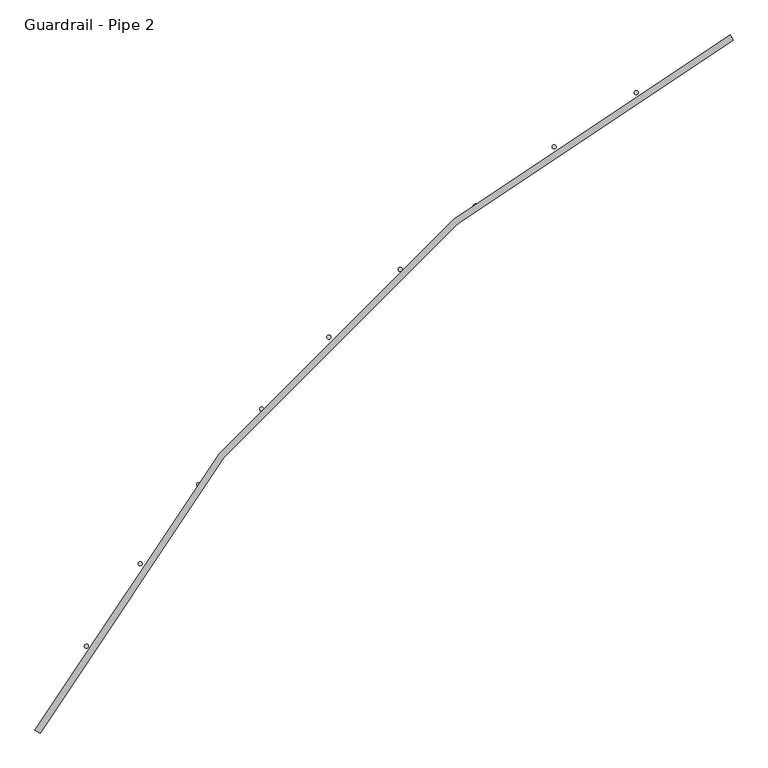
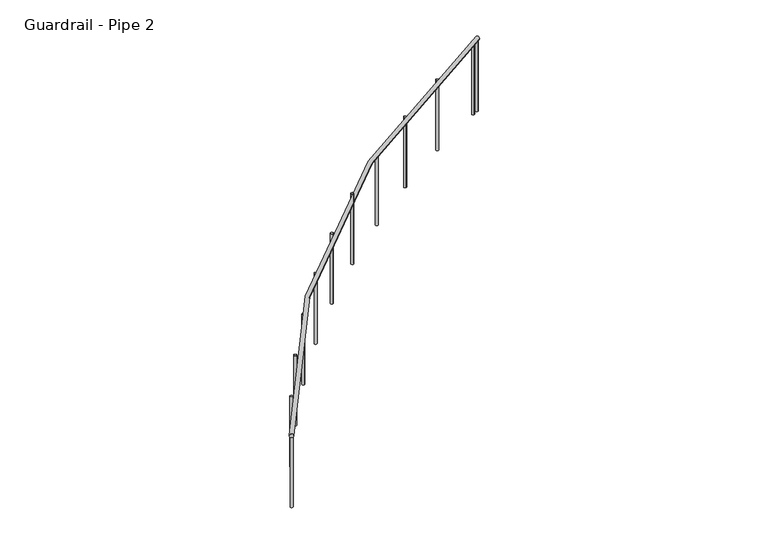
"""IFC4 building model written with IfcOpenShell, lengths in millimetres: railing geometry, Guardrail - Pipe 2."""

from ifc_helpers import new_model, si_unit, point, frame, frame_2d, origin, place, context, project, spatial, circle_curve, ellipse_curve, trimmed, segment, composite_curve, outline, extrude, source, transform, mapped, element, save
from ifc_brep_helpers import plane_surface, revolved_surface, advanced_brep


def guardrail_pipe_2_3ec0c5b1(model_context):
    return source(origin(), model_context, "Body", "SolidModel", [
        advanced_brep(
        [(590060.93135, -250775.3815518, 5619.75), (585770.198997, -255066.1139047, 5619.75), (585736.58135, -255048.1844929, 5619.75), (590043.0019382, -250741.7639047, 5619.75)],
        [
            (0, 1, circle_curve(frame((594964.6254676, -259969.8080223, 5619.75), z_axis=(0.0, 0.0, 1.0), x_axis=(-0.8823529411766796, 0.4705882352937256, 0.0)), 10420.35)),
            (1, 2, circle_curve(frame((585753.3901735, -255057.1491988, 5619.75), z_axis=(0.4705882352937256, 0.8823529411766796, 0.0), x_axis=(0.8823529411766796, -0.4705882352937256, 0.0)), 19.05)),
            (2, 3, circle_curve(frame((594964.6254676, -259969.8080223, 5619.75), z_axis=(0.0, 0.0, -1.0), x_axis=(-0.8823529411766796, 0.4705882352937256, 0.0)), 10458.45)),
            (3, 0, circle_curve(frame((590051.9666441, -250758.5727282, 5619.75), z_axis=(-0.8823529411766858, -0.4705882352937141, 0.0), x_axis=(0.4705882352937141, -0.8823529411766858, 0.0)), 19.05)),
            (2, 1, circle_curve(frame((585753.3901735, -255057.1491988, 5619.75), z_axis=(0.47058823529372856, 0.8823529411766781, 0.0), x_axis=(0.8823529411766781, -0.47058823529372856, 0.0)), 19.05)),
            (0, 3, circle_curve(frame((590051.9666441, -250758.5727282, 5619.75), z_axis=(-0.8823529411766862, -0.4705882352937133, 0.0), x_axis=(0.4705882352937133, -0.8823529411766862, 0.0)), 19.05)),
        ],
        [
            revolved_surface(trimmed(ellipse_curve(frame((585753.3901735, -255057.1491988, 5619.75), z_axis=(-0.4705882352937256, -0.8823529411766796, 0.0), x_axis=(0.8823529411766796, -0.4705882352937256, 0.0)), 19.05, 19.05), [point((585736.58135, -255048.1844929, 5619.75))], [point((585770.198997, -255066.1139047, 5619.75))], True, "CARTESIAN"), (594964.6254676, -259969.8080223, 5638.8), (0.0, 0.0, -1.0)),
            revolved_surface(trimmed(ellipse_curve(frame((585753.3901735, -255057.1491988, 5619.75), z_axis=(-0.4705882352937256, -0.8823529411766796, 0.0), x_axis=(0.8823529411766796, -0.4705882352937256, 0.0)), 19.05, 19.05), [point((585770.198997, -255066.1139047, 5619.75))], [point((585736.58135, -255048.1844929, 5619.75))], True, "CARTESIAN"), (594964.6254676, -259969.8080223, 5638.8), (0.0, 0.0, -1.0)),
            plane_surface(frame((585753.3901735, -255057.1491988, 5638.8), z_axis=(-0.4705882352937257, -0.8823529411766797, 0.0), x_axis=(0.8823529411766797, -0.4705882352937257, 0.0))),
            plane_surface(frame((590051.9666441, -250758.5727282, 5638.8), z_axis=(0.8823529411766875, 0.47058823529371097, 0.0), x_axis=(0.47058823529371097, -0.8823529411766875, 0.0))),
        ],
        [
            (0, [[1, 2, 3, 4]]),
            (1, [[-3, 5, -1, 6]]),
            (2, [[-2, -5]]),
            (3, [[-6, -4]]),
        ],
    ),
        extrude(outline(composite_curve([segment(trimmed(circle_curve(frame_2d((589988.1588613, -250792.8884696)), 12.7), [point((589982.1047657, -250781.7243339))], [point((589994.212957, -250804.0526054))], False, "CARTESIAN"), True, "CONTINUOUS"), segment(trimmed(circle_curve(frame_2d((589988.1588613, -250792.8884696)), 12.7), [point((589994.212957, -250804.0526054))], [point((589982.1047657, -250781.7243339))], False, "CARTESIAN"), True, "CONTINUOUS")], self_intersect=False)), frame((0.0, 0.0, 4876.8), z_axis=(0.0, 0.0, 1.0), x_axis=(1.0, 0.0, 0.0)), (0.0, 0.0, 1.0), 723.9),
        extrude(outline(composite_curve([segment(trimmed(circle_curve(frame_2d((589461.0670034, -251098.9615807)), 12.7), [point((589454.3716768, -251088.1697967))], [point((589467.76233, -251109.7533647))], False, "CARTESIAN"), True, "CONTINUOUS"), segment(trimmed(circle_curve(frame_2d((589461.0670034, -251098.9615807)), 12.7), [point((589467.76233, -251109.7533647))], [point((589454.3716768, -251088.1697967))], False, "CARTESIAN"), True, "CONTINUOUS")], self_intersect=False)), frame((0.0, 0.0, 4876.8), z_axis=(0.0, 0.0, 1.0), x_axis=(1.0, 0.0, 0.0)), (0.0, 0.0, 1.0), 723.9),
        extrude(outline(composite_curve([segment(trimmed(circle_curve(frame_2d((588952.7362764, -251435.2746015)), 12.7), [point((588945.4225426, -251424.8919574))], [point((588960.0500102, -251445.6572455))], False, "CARTESIAN"), True, "CONTINUOUS"), segment(trimmed(circle_curve(frame_2d((588952.7362764, -251435.2746015)), 12.7), [point((588960.0500102, -251445.6572455))], [point((588945.4225426, -251424.8919574))], False, "CARTESIAN"), True, "CONTINUOUS")], self_intersect=False)), frame((0.0, 0.0, 4876.8), z_axis=(0.0, 0.0, 1.0), x_axis=(1.0, 0.0, 0.0)), (0.0, 0.0, 1.0), 723.9),
        extrude(outline(composite_curve([segment(trimmed(circle_curve(frame_2d((588464.8995335, -251800.6810714)), 12.7), [point((588456.9923243, -251790.7429607))], [point((588472.8067426, -251810.619182))], False, "CARTESIAN"), True, "CONTINUOUS"), segment(trimmed(circle_curve(frame_2d((588464.8995335, -251800.6810714)), 12.7), [point((588472.8067426, -251810.619182))], [point((588456.9923243, -251790.7429607))], False, "CARTESIAN"), True, "CONTINUOUS")], self_intersect=False)), frame((0.0, 0.0, 4876.8), z_axis=(0.0, 0.0, 1.0), x_axis=(1.0, 0.0, 0.0)), (0.0, 0.0, 1.0), 723.9),
        extrude(outline(composite_curve([segment(trimmed(circle_curve(frame_2d((587999.2197658, -252193.935353)), 12.7), [point((587990.7460363, -252184.4756539))], [point((588007.6934954, -252203.3950521))], False, "CARTESIAN"), True, "CONTINUOUS"), segment(trimmed(circle_curve(frame_2d((587999.2197658, -252193.935353)), 12.7), [point((588007.6934954, -252203.3950521))], [point((587990.7460363, -252184.4756539))], False, "CARTESIAN"), True, "CONTINUOUS")], self_intersect=False)), frame((0.0, 0.0, 4876.8), z_axis=(0.0, 0.0, 1.0), x_axis=(1.0, 0.0, 0.0)), (0.0, 0.0, 1.0), 723.9),
        extrude(outline(composite_curve([segment(trimmed(circle_curve(frame_2d((587557.2844335, -252613.6968782)), 12.7), [point((587548.2730697, -252604.7478379))], [point((587566.2957973, -252622.6459185))], False, "CARTESIAN"), True, "CONTINUOUS"), segment(trimmed(circle_curve(frame_2d((587557.2844335, -252613.6968782)), 12.7), [point((587566.2957973, -252622.6459185))], [point((587548.2730697, -252604.7478379))], False, "CARTESIAN"), True, "CONTINUOUS")], self_intersect=False)), frame((0.0, 0.0, 4876.8), z_axis=(0.0, 0.0, 1.0), x_axis=(1.0, 0.0, 0.0)), (0.0, 0.0, 1.0), 723.9),
        extrude(outline(composite_curve([segment(trimmed(circle_curve(frame_2d((587140.6000539, -253058.5347181)), 12.7), [point((587131.0817748, -253050.126843))], [point((587150.118333, -253066.9425932))], False, "CARTESIAN"), True, "CONTINUOUS"), segment(trimmed(circle_curve(frame_2d((587140.6000539, -253058.5347181)), 12.7), [point((587150.118333, -253066.9425932))], [point((587131.0817748, -253050.126843))], False, "CARTESIAN"), True, "CONTINUOUS")], self_intersect=False)), frame((0.0, 0.0, 4876.8), z_axis=(0.0, 0.0, 1.0), x_axis=(1.0, 0.0, 0.0)), (0.0, 0.0, 1.0), 723.9),
        extrude(outline(composite_curve([segment(trimmed(circle_curve(frame_2d((586750.5870662, -253526.9324609)), 12.7), [point((586740.5943188, -253519.0944127))], [point((586760.5798137, -253534.770509))], False, "CARTESIAN"), True, "CONTINUOUS"), segment(trimmed(circle_curve(frame_2d((586750.5870662, -253526.9324609)), 12.7), [point((586760.5798137, -253534.770509))], [point((586740.5943188, -253519.0944127))], False, "CARTESIAN"), True, "CONTINUOUS")], self_intersect=False)), frame((0.0, 0.0, 4876.8), z_axis=(0.0, 0.0, 1.0), x_axis=(1.0, 0.0, 0.0)), (0.0, 0.0, 1.0), 723.9),
        extrude(outline(composite_curve([segment(trimmed(circle_curve(frame_2d((586388.5749893, -254017.2933811)), 12.7), [point((586378.1418379, -254010.0518792))], [point((586399.0081407, -254024.5348831))], False, "CARTESIAN"), True, "CONTINUOUS"), segment(trimmed(circle_curve(frame_2d((586388.5749893, -254017.2933811)), 12.7), [point((586399.0081407, -254024.5348831))], [point((586378.1418379, -254010.0518792))], False, "CARTESIAN"), True, "CONTINUOUS")], self_intersect=False)), frame((0.0, 0.0, 4876.8), z_axis=(0.0, 0.0, 1.0), x_axis=(1.0, 0.0, 0.0)), (0.0, 0.0, 1.0), 723.9),
        extrude(outline(composite_curve([segment(trimmed(circle_curve(frame_2d((586055.7978894, -254527.9458831)), 12.7), [point((586044.9598997, -254521.3256129))], [point((586066.6358792, -254534.5661534))], False, "CARTESIAN"), True, "CONTINUOUS"), segment(trimmed(circle_curve(frame_2d((586055.7978894, -254527.9458831)), 12.7), [point((586066.6358792, -254534.5661534))], [point((586044.9598997, -254521.3256129))], False, "CARTESIAN"), True, "CONTINUOUS")], self_intersect=False)), frame((0.0, 0.0, 4876.8), z_axis=(0.0, 0.0, 1.0), x_axis=(1.0, 0.0, 0.0)), (0.0, 0.0, 1.0), 723.9),
        extrude(outline(composite_curve([segment(trimmed(circle_curve(frame_2d((590040.7643998, -250764.5560136)), 12.7), [point((590034.7743012, -250753.3574102))], [point((590046.7544984, -250775.754617))], False, "CARTESIAN"), True, "CONTINUOUS"), segment(trimmed(circle_curve(frame_2d((590040.7643998, -250764.5560136)), 12.7), [point((590046.7544984, -250775.754617))], [point((590034.7743012, -250753.3574102))], False, "CARTESIAN"), True, "CONTINUOUS")], self_intersect=False)), frame((0.0, 0.0, 4876.8), z_axis=(0.0, 0.0, 1.0), x_axis=(1.0, 0.0, 0.0)), (0.0, 0.0, 1.0), 723.9),
        extrude(outline(composite_curve([segment(trimmed(circle_curve(frame_2d((585759.3734588, -255045.9469546)), 12.7), [point((585748.1748554, -255039.9568559))], [point((585770.5720623, -255051.9370532))], False, "CARTESIAN"), True, "CONTINUOUS"), segment(trimmed(circle_curve(frame_2d((585759.3734588, -255045.9469546)), 12.7), [point((585770.5720623, -255051.9370532))], [point((585748.1748554, -255039.9568559))], False, "CARTESIAN"), True, "CONTINUOUS")], self_intersect=False)), frame((0.0, 0.0, 4876.8), z_axis=(0.0, 0.0, 1.0), x_axis=(1.0, 0.0, 0.0)), (0.0, 0.0, 1.0), 723.9),
    ])


if __name__ == "__main__":
    model = new_model("IFC4")
    model_context = context("Model", 3, world=origin())
    ifc_project = project(units=[si_unit("LENGTHUNIT", "METRE", prefix="MILLI")], contexts=[model_context])
    site = spatial("IfcSite", under=ifc_project)
    building = spatial("IfcBuilding", under=site)
    placement = place(None, origin())
    guardrail_pipe_2_shape = guardrail_pipe_2_3ec0c5b1(model_context)
    element("IfcRailing", 1, ObjectType="Guardrail - Pipe 2", at=placement, inside=building, context=model_context, shape_type="MappedRepresentation", body=[
        mapped(guardrail_pipe_2_shape, transform((0.0, 0.0, 0.0), x_axis=(1.0, 0.0, 0.0), y_axis=(0.0, 1.0, 0.0), z_axis=(0.0, 0.0, 1.0))),
    ])
    save(model, "model.ifc")
